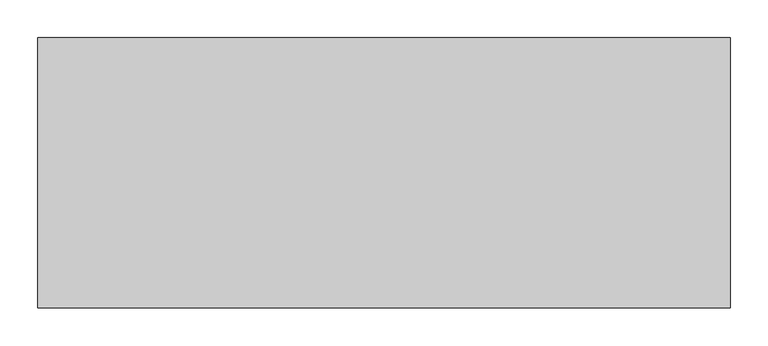
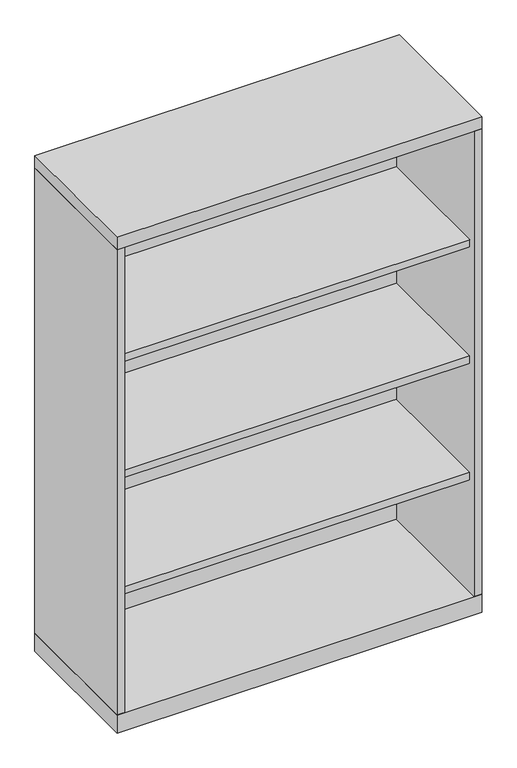
"""IFC4 building model written with IfcOpenShell, lengths in millimetres: furniture geometry."""

from ifc_helpers import new_model, si_unit, frame, origin, origin_with_axes, place, context, project, spatial, polyline, outline, extrude, source, transform, mapped, element, save


def furniture_215f72ca(model_context):
    return source(origin(), model_context, "Body", "SweptSolid", [
        extrude(outline(polyline([(436.5625, -19.05), (436.5625, -336.55), (-436.5625, -336.55), (-436.5625, -19.05), (436.5625, -19.05)])), frame((0.0, 0.0, 652.4625), z_axis=(0.0, 0.0, 1.0), x_axis=(1.0, 0.0, 0.0)), (0.0, 0.0, 1.0), 19.05),
        extrude(outline(polyline([(436.5625, -19.05), (436.5625, -336.55), (-436.5625, -336.55), (-436.5625, -19.05), (436.5625, -19.05)])), frame((0.0, 0.0, 959.64375), z_axis=(0.0, 0.0, 1.0), x_axis=(1.0, 0.0, 0.0)), (0.0, 0.0, 1.0), 19.05),
        extrude(outline(polyline([(436.5625, -19.05), (436.5625, -336.55), (-436.5625, -336.55), (-436.5625, -19.05), (436.5625, -19.05)])), frame((0.0, 0.0, 345.28125), z_axis=(0.0, 0.0, 1.0), x_axis=(1.0, 0.0, 0.0)), (0.0, 0.0, 1.0), 19.05),
        extrude(outline(polyline([(455.6125, 0.0), (455.6125, -355.6), (-455.6125, -355.6), (-455.6125, 0.0), (455.6125, 0.0)])), origin_with_axes(), (0.0, 0.0, 1.0), 47.625),
        extrude(outline(polyline([(455.6125, 0.0), (455.6125, -355.6), (-455.6125, -355.6), (-455.6125, 0.0), (455.6125, 0.0)])), frame((0.0, 0.0, 1276.35), z_axis=(0.0, 0.0, 1.0), x_axis=(1.0, 0.0, 0.0)), (0.0, 0.0, 1.0), 31.75),
        extrude(outline(polyline([(455.6125, 0.0), (455.6125, -355.6), (436.5625, -355.6), (436.5625, -19.05), (-436.5625, -19.05), (-436.5625, -355.6), (-455.6125, -355.6), (-455.6125, 0.0), (455.6125, 0.0)])), frame((0.0, 0.0, 47.625), z_axis=(0.0, 0.0, 1.0), x_axis=(1.0, 0.0, 0.0)), (0.0, 0.0, 1.0), 1228.725),
    ])


if __name__ == "__main__":
    model = new_model("IFC4")
    model_context = context("Model", 3, world=origin())
    ifc_project = project(units=[si_unit("LENGTHUNIT", "METRE", prefix="MILLI")], contexts=[model_context])
    site = spatial("IfcSite", under=ifc_project)
    building = spatial("IfcBuilding", under=site)
    placement = place(None, origin())
    furniture_shape = furniture_215f72ca(model_context)
    element("IfcFurniture", 1, at=placement, inside=building, context=model_context, shape_type="MappedRepresentation", body=[
        mapped(furniture_shape, transform((0.0, 0.0, 0.0), x_axis=(1.0, 0.0, 0.0), y_axis=(0.0, 1.0, 0.0), z_axis=(0.0, 0.0, 1.0))),
    ])
    save(model, "model.ifc")
